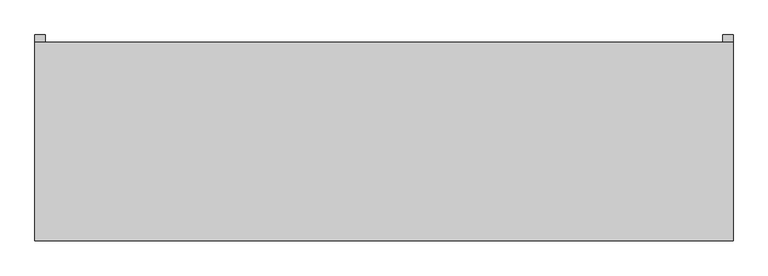
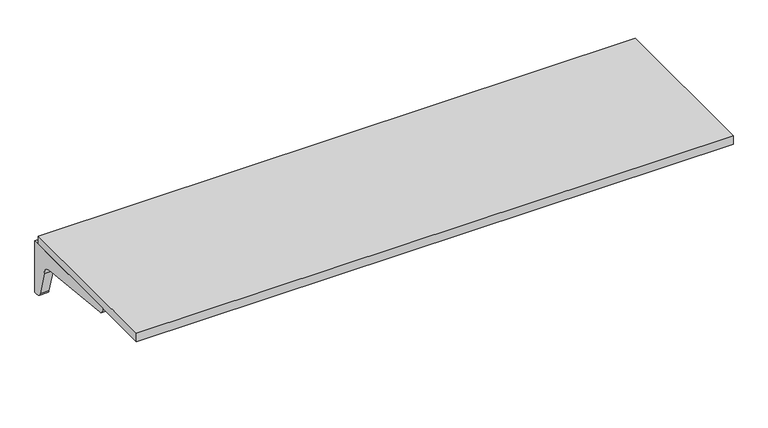
"""IFC4 building model written with IfcOpenShell, lengths in millimetres: furniture geometry."""

from ifc_helpers import new_model, si_unit, point, frame, frame_2d, origin, place, context, project, spatial, polyline, circle_curve, trimmed, segment, composite_curve, outline, extrude, source, transform, mapped, element, save


def furniture_a8ee46f9(model_context):
    return source(origin(), model_context, "Body", "SweptSolid", [
        extrude(outline(composite_curve([segment(polyline([(314.325, 704.85), (314.325, 511.175), (301.625, 511.175)]), True, "CONTINUOUS"), segment(trimmed(circle_curve(frame_2d((299.3081081, 528.3371622)), 17.3178462), [point((301.625, 511.175))], [point((282.575, 523.875))], False, "CARTESIAN"), True, "CONTINUOUS"), segment(polyline([(282.575, 523.875), (257.175, 615.95)]), True, "CONTINUOUS"), segment(trimmed(circle_curve(frame_2d((221.8170455, 612.3420455)), 35.5415572), [point((257.175, 615.95))], [point((225.425, 647.7))], True, "CARTESIAN"), True, "CONTINUOUS"), segment(polyline([(225.425, 647.7), (-85.725, 679.45)]), True, "CONTINUOUS"), segment(trimmed(circle_curve(frame_2d((-85.725, 698.5)), 19.05), [point((-85.725, 679.45))], [point((-104.775, 698.5))], False, "CARTESIAN"), True, "CONTINUOUS"), segment(polyline([(-104.775, 698.5), (-104.775, 704.85), (314.325, 704.85)]), True, "CONTINUOUS")], self_intersect=False)), frame((1035.05, 0.0, 0.0), z_axis=(1.0, 0.0, 0.0), x_axis=(0.0, 1.0, 0.0)), (0.0, 0.0, 1.0), 31.75),
        extrude(outline(composite_curve([segment(polyline([(314.325, 704.85), (314.325, 511.175), (301.625, 511.175)]), True, "CONTINUOUS"), segment(trimmed(circle_curve(frame_2d((299.3081081, 528.3371622)), 17.3178462), [point((301.625, 511.175))], [point((282.575, 523.875))], False, "CARTESIAN"), True, "CONTINUOUS"), segment(polyline([(282.575, 523.875), (257.175, 615.95)]), True, "CONTINUOUS"), segment(trimmed(circle_curve(frame_2d((221.8170455, 612.3420455)), 35.5415572), [point((257.175, 615.95))], [point((225.425, 647.7))], True, "CARTESIAN"), True, "CONTINUOUS"), segment(polyline([(225.425, 647.7), (-85.725, 679.45)]), True, "CONTINUOUS"), segment(trimmed(circle_curve(frame_2d((-85.725, 698.5)), 19.05), [point((-85.725, 679.45))], [point((-104.775, 698.5))], False, "CARTESIAN"), True, "CONTINUOUS"), segment(polyline([(-104.775, 698.5), (-104.775, 704.85), (314.325, 704.85)]), True, "CONTINUOUS")], self_intersect=False)), frame((-1066.8, 0.0, 0.0), z_axis=(1.0, 0.0, 0.0), x_axis=(0.0, 1.0, 0.0)), (0.0, 0.0, 1.0), 31.75),
        extrude(outline(polyline([(-1066.8, 292.1), (1066.8, 292.1), (1066.8, -314.325), (-1066.8, -314.325), (-1066.8, 292.1)])), frame((0.0, 0.0, 704.85), z_axis=(0.0, 0.0, 1.0), x_axis=(1.0, 0.0, 0.0)), (0.0, 0.0, 1.0), 31.75),
    ])


if __name__ == "__main__":
    model = new_model("IFC4")
    model_context = context("Model", 3, world=origin())
    ifc_project = project(units=[si_unit("LENGTHUNIT", "METRE", prefix="MILLI")], contexts=[model_context])
    site = spatial("IfcSite", under=ifc_project)
    building = spatial("IfcBuilding", under=site)
    placement = place(None, origin())
    furniture_shape = furniture_a8ee46f9(model_context)
    element("IfcFurniture", 1, at=placement, inside=building, context=model_context, shape_type="MappedRepresentation", body=[
        mapped(furniture_shape, transform((0.0, 0.0, 0.0), x_axis=(1.0, 0.0, 0.0), y_axis=(0.0, 1.0, 0.0), z_axis=(0.0, 0.0, 1.0))),
    ])
    save(model, "model.ifc")
